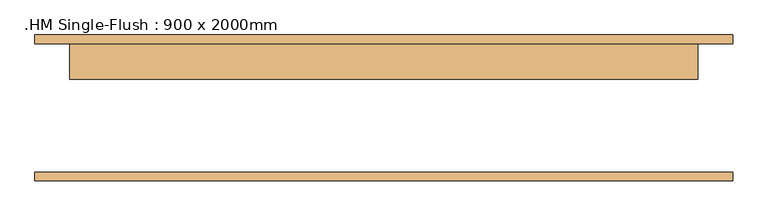
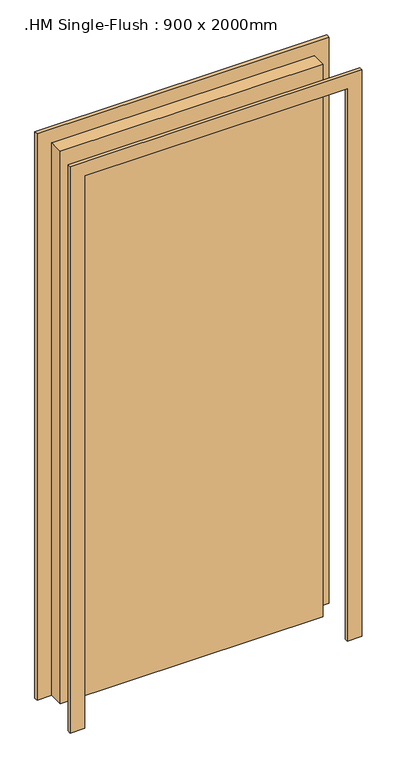
"""IFC4 building model written with IfcOpenShell, lengths in millimetres: door geometry, .HM Single-Flush : 900 x 2000mm."""

from ifc_helpers import new_model, si_unit, frame, origin, origin_with_axes, place, context, project, spatial, polyline, outline, extrude, source, transform, mapped, element, save


def hm_single_flush_900_x_2000mm_2fa6afd7(model_context):
    return source(origin(), model_context, "Body", "SweptSolid", [
        extrude(outline(polyline([(2050.0, -500.0), (0.0, -500.0), (0.0, -450.0), (2000.0, -450.0), (2000.0, 450.0), (0.0, 450.0), (0.0, 500.0), (2050.0, 500.0), (2050.0, -500.0)])), frame((0.0, 92.0, 0.0), z_axis=(0.0, 1.0, 0.0), x_axis=(0.0, 0.0, 1.0)), (0.0, 0.0, 1.0), 12.5),
        extrude(outline(polyline([(2050.0, 500.0), (2050.0, -500.0), (0.0, -500.0), (0.0, -450.0), (2000.0, -450.0), (2000.0, 450.0), (0.0, 450.0), (0.0, 500.0), (2050.0, 500.0)])), frame((0.0, -104.5, 0.0), z_axis=(0.0, 1.0, 0.0), x_axis=(0.0, 0.0, 1.0)), (0.0, 0.0, 1.0), 12.5),
        extrude(outline(polyline([(450.0, 41.0), (-450.0, 41.0), (-450.0, 92.0), (450.0, 92.0), (450.0, 41.0)])), origin_with_axes(), (0.0, 0.0, 1.0), 2000.0),
    ])


if __name__ == "__main__":
    model = new_model("IFC4")
    model_context = context("Model", 3, world=origin())
    ifc_project = project(units=[si_unit("LENGTHUNIT", "METRE", prefix="MILLI")], contexts=[model_context])
    site = spatial("IfcSite", under=ifc_project)
    building = spatial("IfcBuilding", under=site)
    placement = place(None, origin())
    hm_single_flush_900_x_2000mm_shape = hm_single_flush_900_x_2000mm_2fa6afd7(model_context)
    element("IfcDoor", 1, ObjectType=".HM Single-Flush : 900 x 2000mm", at=placement, inside=building, context=model_context, shape_type="MappedRepresentation", body=[
        mapped(hm_single_flush_900_x_2000mm_shape, transform((0.0, 0.0, 0.0), x_axis=(1.0, 0.0, 0.0), y_axis=(0.0, 1.0, 0.0), z_axis=(0.0, 0.0, 1.0))),
    ])
    save(model, "model.ifc")
